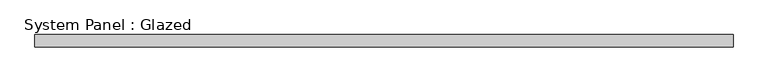
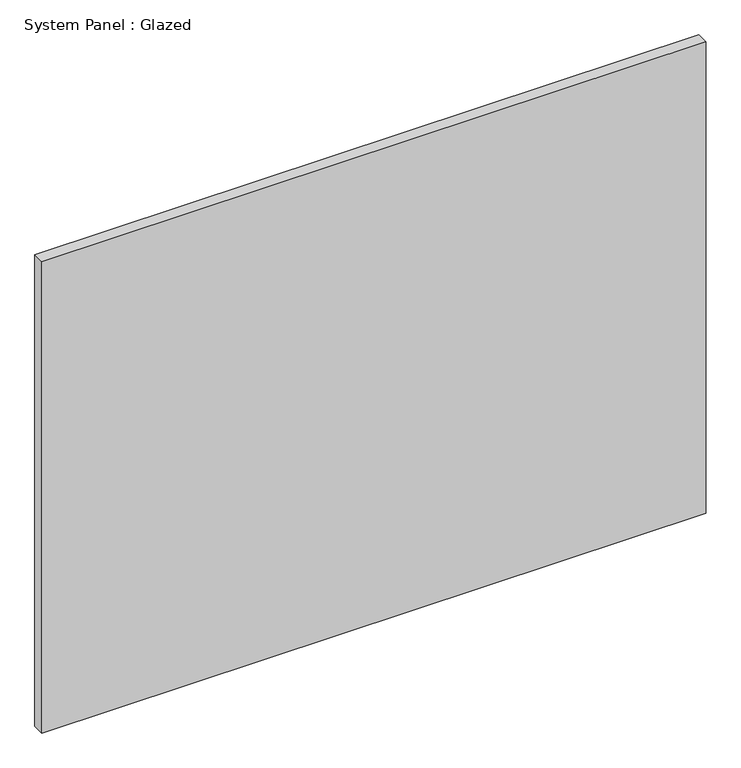
"""IFC4 building model written with IfcOpenShell, lengths in millimetres: plate geometry, System Panel : Glazed."""

from ifc_helpers import new_model, si_unit, origin, origin_with_axes, place, context, project, spatial, polyline, outline, extrude, source, transform, mapped, element, save


def system_panel_glazed_d993a7a0(model_context):
    return source(origin(), model_context, "Body", "SweptSolid", [
        extrude(outline(polyline([(711.2, -12.7), (-711.2, -12.7), (-711.2, 12.7), (711.2, 12.7), (711.2, -12.7)])), origin_with_axes(), (0.0, 0.0, 1.0), 1066.8),
    ])


if __name__ == "__main__":
    model = new_model("IFC4")
    model_context = context("Model", 3, world=origin())
    ifc_project = project(units=[si_unit("LENGTHUNIT", "METRE", prefix="MILLI")], contexts=[model_context])
    site = spatial("IfcSite", under=ifc_project)
    building = spatial("IfcBuilding", under=site)
    placement = place(None, origin())
    system_panel_glazed_shape = system_panel_glazed_d993a7a0(model_context)
    element("IfcPlate", 1, ObjectType="System Panel : Glazed", at=placement, inside=building, context=model_context, shape_type="MappedRepresentation", body=[
        mapped(system_panel_glazed_shape, transform((0.0, 0.0, 0.0), x_axis=(1.0, 0.0, 0.0), y_axis=(0.0, 1.0, 0.0), z_axis=(0.0, 0.0, 1.0))),
    ])
    save(model, "model.ifc")
